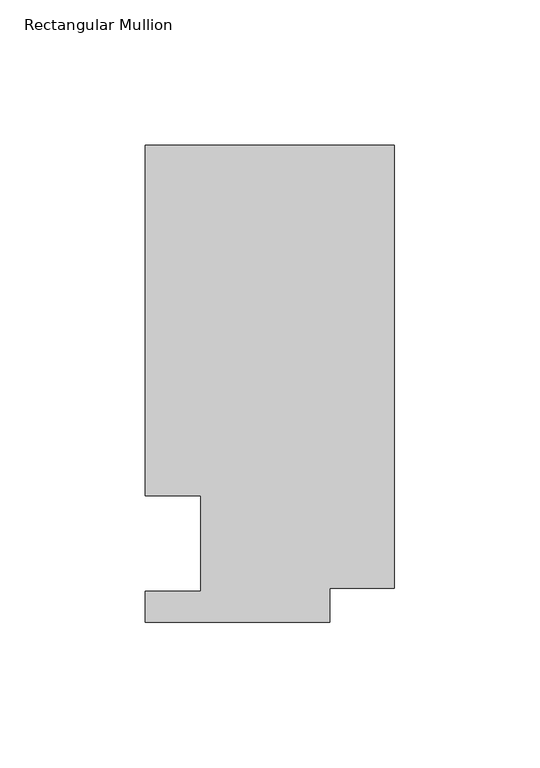
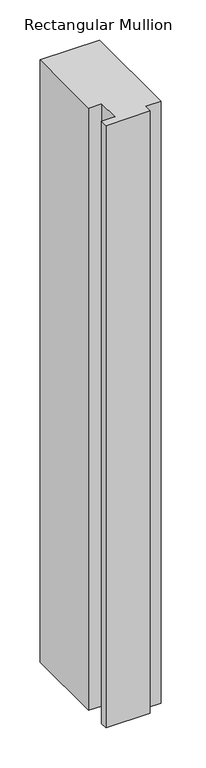
"""IFC4 building model written with IfcOpenShell, lengths in millimetres: member geometry, Rectangular Mullion."""

import ifcopenshell
import ifcopenshell.guid

model = None  # the IFC model being written
_history = None  # IfcOwnerHistory: only IFC2X3 demands one
_inside = {}  # id of a spatial element -> (the spatial element, [elements in it])
_under = {}  # id of a project, library or spatial element -> (it, [spatial elements below it])
_declared = {}  # id of a project -> (the project, [libraries it declares])
_typed = {}  # id of a type object -> (the type object, [elements of that type])
_made_of = {}  # id of a material, layer set ... -> (it, [elements and type objects made of it])


def new_model(schema):
    """Start an empty IFC model of exactly this schema.

    Asked for "IFC4X3", IfcOpenShell would pick the latest addendum, in which some entities
    have other attributes; the version numbers below select the first issue.
    IFC2X3 requires an IfcOwnerHistory on every rooted entity: one is made here for all.
    """
    global model, _history
    if schema == "IFC4X3":
        model = ifcopenshell.file(schema_version=(4, 3, 0, 0))
    else:
        model = ifcopenshell.file(schema=schema)
    _inside.clear()
    _under.clear()
    _declared.clear()
    _typed.clear()
    _made_of.clear()
    _history = None
    if model.schema == "IFC2X3":
        org = make("IfcOrganization", Name="unknown")
        user = make(
            "IfcPersonAndOrganization",
            ThePerson=make("IfcPerson", FamilyName="unknown"),
            TheOrganization=org,
        )
        app = make(
            "IfcApplication",
            ApplicationDeveloper=org,
            Version="unknown",
            ApplicationFullName="unknown",
            ApplicationIdentifier="unknown",
        )
        _history = make(
            "IfcOwnerHistory",
            OwningUser=user,
            OwningApplication=app,
            ChangeAction="ADDED",
            CreationDate=0,
        )
    return model


def make(cls, **values):
    """One entity of the class cls with the attributes given. An attribute that is None is left unset."""
    return model.create_entity(
        cls, **{name: value for name, value in values.items() if value is not None}
    )


def rooted(cls, **values):
    """An entity with a GlobalId (a new one), such as an element, a storey or a relation."""
    return make(cls, GlobalId=ifcopenshell.guid.new(), OwnerHistory=_history, **values)


def si_unit(unit_type, name, prefix=None):
    """IfcSIUnit, for example si_unit("LENGTHUNIT", "METRE", prefix="MILLI")."""
    return make("IfcSIUnit", UnitType=unit_type, Prefix=prefix, Name=name)


def assignment(units):
    """IfcUnitAssignment: the units of a project."""
    return None if units is None else make("IfcUnitAssignment", Units=units)


def point(xyz):
    """IfcCartesianPoint."""
    return None if xyz is None else make("IfcCartesianPoint", Coordinates=xyz)


def direction(xyz):
    """IfcDirection."""
    return None if xyz is None else make("IfcDirection", DirectionRatios=xyz)


def frame(location, z_axis=None, x_axis=None):
    """IfcAxis2Placement3D, a coordinate frame: its origin and axes. An axis left out is left unset."""
    return make(
        "IfcAxis2Placement3D",
        Location=point(location),
        Axis=direction(z_axis),
        RefDirection=direction(x_axis),
    )


def origin():
    """The frame at (0, 0, 0) with its axes left unset."""
    return frame((0.0, 0.0, 0.0))


def place(relative_to, where):
    """IfcLocalPlacement: puts the frame where relative to a parent placement (None: the world)."""
    return make(
        "IfcLocalPlacement", PlacementRelTo=relative_to, RelativePlacement=where
    )


def context(
    kind, dimensions, precision=None, world=None, true_north=None, identifier=None
):
    """IfcGeometricRepresentationContext, for example the 3D "Model" context."""
    return make(
        "IfcGeometricRepresentationContext",
        ContextIdentifier=identifier,
        ContextType=kind,
        CoordinateSpaceDimension=dimensions,
        Precision=precision,
        WorldCoordinateSystem=world,
        TrueNorth=true_north,
    )


def project(units=None, contexts=None):
    """IfcProject with its units and contexts."""
    return rooted(
        "IfcProject",
        Name="project",
        RepresentationContexts=contexts,
        UnitsInContext=assignment(units),
    )


def spatial(cls, under=None, at=None, **own):
    """A site, building, storey or space (cls), placed at a placement, below another one or the project."""
    s = rooted(cls, ObjectPlacement=at, **own)
    if under is not None:
        _under.setdefault(under.id(), (under, []))[1].append(s)
    return s


def polyline(points):
    """IfcPolyline through the points."""
    return make("IfcPolyline", Points=[point(p) for p in points])


def outline(outer, holes=None, kind="AREA"):
    """IfcArbitraryClosedProfileDef: a profile drawn as a closed curve; with holes, ...WithVoids."""
    if holes is None:
        return make("IfcArbitraryClosedProfileDef", ProfileType=kind, OuterCurve=outer)
    return make(
        "IfcArbitraryProfileDefWithVoids",
        ProfileType=kind,
        OuterCurve=outer,
        InnerCurves=holes,
    )


def extrude(swept, where, along, depth):
    """IfcExtrudedAreaSolid: the profile swept, set in the frame where, extruded along a direction by depth."""
    return make(
        "IfcExtrudedAreaSolid",
        SweptArea=swept,
        Position=where,
        ExtrudedDirection=direction(along),
        Depth=depth,
    )


def shape(context_of_items, identifier, shape_type, items):
    """IfcShapeRepresentation: the items that make up one representation, for example the "Body"."""
    return make(
        "IfcShapeRepresentation",
        ContextOfItems=context_of_items,
        RepresentationIdentifier=identifier,
        RepresentationType=shape_type,
        Items=items,
    )


def source(mapping_origin, context_of_items, identifier, shape_type, items):
    """IfcRepresentationMap: a shape defined once, which mapped items show again and again."""
    return make(
        "IfcRepresentationMap",
        MappingOrigin=mapping_origin,
        MappedRepresentation=shape(context_of_items, identifier, shape_type, items),
    )


def transform(
    local_origin,
    x_axis=None,
    y_axis=None,
    z_axis=None,
    scale=None,
    scale2=None,
    scale3=None,
    uniform=True,
):
    """IfcCartesianTransformationOperator3D, or its non-uniform kind. x_axis, y_axis, z_axis: its Axis1, 2, 3."""
    if uniform:
        return make(
            "IfcCartesianTransformationOperator3D",
            Axis1=direction(x_axis),
            Axis2=direction(y_axis),
            LocalOrigin=point(local_origin),
            Scale=scale,
            Axis3=direction(z_axis),
        )
    return make(
        "IfcCartesianTransformationOperator3DnonUniform",
        Axis1=direction(x_axis),
        Axis2=direction(y_axis),
        LocalOrigin=point(local_origin),
        Scale=scale,
        Axis3=direction(z_axis),
        Scale2=scale2,
        Scale3=scale3,
    )


def mapped(mapping_source, mapping_target):
    """IfcMappedItem: shows the shape of a source again, moved by a transform."""
    return make(
        "IfcMappedItem", MappingSource=mapping_source, MappingTarget=mapping_target
    )


def made_of(thing, what):
    """Note that an element or type object is made of a material, layer set ...; save() writes the relation."""
    if what is not None:
        _made_of.setdefault(what.id(), (what, []))[1].append(thing)
    return thing


def element(
    cls,
    number,
    at=None,
    inside=None,
    cuts=None,
    type_object=None,
    material=None,
    context=None,
    identifier="Body",
    shape_type=None,
    held_by="IfcProductDefinitionShape",
    body=None,
    shapes=None,
    **own,
):
    """One element of the class cls, such as IfcWall. Its Tag is "e" and its number.

    at: its placement. inside: the storey or other place that contains it. cuts: it is an
    opening in that element (IfcRelVoidsElement). A single representation is given by context,
    identifier, shape_type and body (its items); several are given by shapes. held_by: the class
    of the entity that holds the representations. save() writes the other relations.
    """
    e = rooted(cls, Tag="e%d" % number, ObjectPlacement=at, **own)
    if body is not None:
        shapes = [shape(context, identifier, shape_type, body)]
    if shapes is not None:
        e.Representation = make(held_by, Representations=shapes)
    if inside is not None:
        _inside.setdefault(inside.id(), (inside, []))[1].append(e)
    if cuts is not None:
        rooted(
            "IfcRelVoidsElement", RelatingBuildingElement=cuts, RelatedOpeningElement=e
        )
    if type_object is not None:
        _typed.setdefault(type_object.id(), (type_object, []))[1].append(e)
    return made_of(e, material)


def aggregate(whole, parts):
    """IfcRelAggregates: a whole, such as a stair, and the parts it consists of."""
    return rooted("IfcRelAggregates", RelatingObject=whole, RelatedObjects=parts)


def save(model, path):
    """Write the relations noted so far, then the file.

    IfcRelAggregates (storeys below a building ...), IfcRelContainedInSpatialStructure (elements
    in a storey), IfcRelDefinesByType, IfcRelAssociatesMaterial and IfcRelDeclares: one each for
    every whole, place, type object, material and project.
    """
    for whole, parts in _under.values():
        aggregate(whole, parts)
    for where, things in _inside.values():
        rooted(
            "IfcRelContainedInSpatialStructure",
            RelatedElements=things,
            RelatingStructure=where,
        )
    for kind, things in _typed.values():
        rooted("IfcRelDefinesByType", RelatedObjects=things, RelatingType=kind)
    for what, things in _made_of.values():
        rooted("IfcRelAssociatesMaterial", RelatedObjects=things, RelatingMaterial=what)
    for by, libraries in _declared.values():
        rooted("IfcRelDeclares", RelatingContext=by, RelatedDefinitions=libraries)
    model.write(path)


def rectangular_mullion_bac8ecbb(model_context):
    return source(origin(), model_context, "Body", "SweptSolid", [
        extrude(outline(polyline([(-85.7123, 152.4), (0.0, 152.4), (0.0, 0.0), (-22.2123, 0.0), (-22.2123, -11.684), (-85.7123, -11.684), (-85.7123, -1.016), (-66.6623, -1.016), (-66.6623, 31.75), (-85.7123, 31.75), (-85.7123, 152.4)])), frame((0.0, 0.0, -914.4), z_axis=(0.0, 0.0, 1.0), x_axis=(1.0, 0.0, 0.0)), (0.0, 0.0, 1.0), 914.4),
    ])


if __name__ == "__main__":
    model = new_model("IFC4")
    model_context = context("Model", 3, world=origin())
    ifc_project = project(units=[si_unit("LENGTHUNIT", "METRE", prefix="MILLI")], contexts=[model_context])
    site = spatial("IfcSite", under=ifc_project)
    building = spatial("IfcBuilding", under=site)
    placement = place(None, origin())
    rectangular_mullion_shape = rectangular_mullion_bac8ecbb(model_context)
    element("IfcMember", 1, ObjectType="Rectangular Mullion", at=placement, inside=building, context=model_context, shape_type="MappedRepresentation", body=[
        mapped(rectangular_mullion_shape, transform((0.0, 0.0, 0.0), x_axis=(1.0, 0.0, 0.0), y_axis=(0.0, 1.0, 0.0), z_axis=(0.0, 0.0, 1.0))),
    ])
    save(model, "model.ifc")
